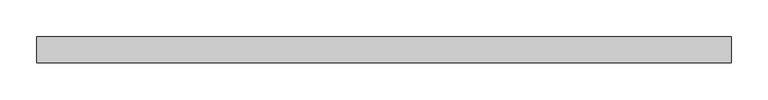
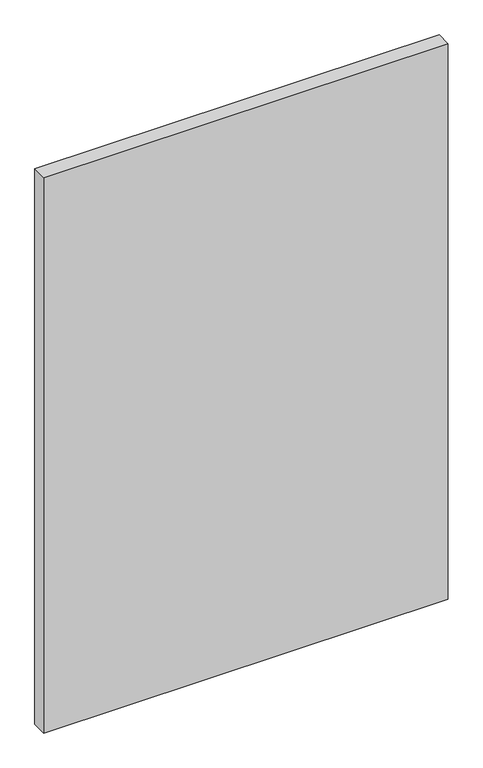
"""IFC4 building model written with IfcOpenShell, lengths in millimetres: plate geometry."""

from ifc_helpers import new_model, si_unit, origin, origin_with_axes, place, context, project, spatial, polyline, outline, extrude, source, transform, mapped, element, save


def plate_ab9b3a96(model_context):
    return source(origin(), model_context, "Body", "SweptSolid", [
        extrude(outline(polyline([(471.875, -17.5), (-471.875, -17.5), (-471.875, 17.5), (471.875, 17.5), (471.875, -17.5)])), origin_with_axes(), (0.0, 0.0, 1.0), 1370.0),
    ])


if __name__ == "__main__":
    model = new_model("IFC4")
    model_context = context("Model", 3, world=origin())
    ifc_project = project(units=[si_unit("LENGTHUNIT", "METRE", prefix="MILLI")], contexts=[model_context])
    site = spatial("IfcSite", under=ifc_project)
    building = spatial("IfcBuilding", under=site)
    placement = place(None, origin())
    plate_shape = plate_ab9b3a96(model_context)
    element("IfcPlate", 1, at=placement, inside=building, context=model_context, shape_type="MappedRepresentation", body=[
        mapped(plate_shape, transform((0.0, 0.0, 0.0), x_axis=(1.0, 0.0, 0.0), y_axis=(0.0, 1.0, 0.0), z_axis=(0.0, 0.0, 1.0))),
    ])
    save(model, "model.ifc")
